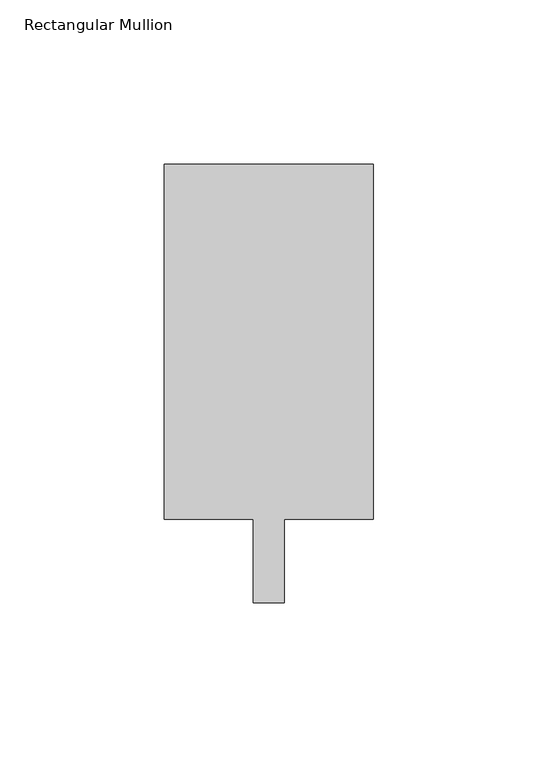
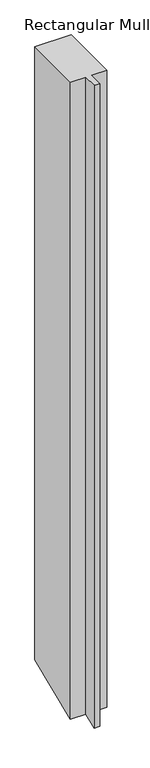
"""IFC4 building model written with IfcOpenShell, lengths in millimetres: member geometry, Rectangular Mullion."""

from ifc_helpers import new_model, si_unit, origin, place, context, project, spatial, faceted_brep, source, transform, mapped, element, save


def rectangular_mullion_923ca6fb(model_context):
    return source(origin(), model_context, "Body", "Brep", [
        faceted_brep([(-4.7625, 12.7, 0.0), (-4.7625, -12.7, 0.0), (4.7625, -12.7, 0.0), (4.7625, 12.7, 0.0), (31.75, 12.7, 0.0), (31.75, 120.65, 0.0), (-31.75, 120.65, 0.0), (-31.75, 12.7, 0.0), (-4.7625, 12.7, -1182.1894878), (-4.7625, -12.7, -1192.7105122), (4.7625, -12.7, -1192.7105122), (4.7625, 12.7, -1182.1894878), (31.75, 12.7, -1182.1894878), (31.75, 120.65, -1137.4751337), (-31.75, 120.65, -1137.4751337), (-31.75, 12.7, -1182.1894878)], [[[0, 1, 2, 3, 4, 5, 6, 7]], [[1, 0, 8, 9]], [[2, 1, 9, 10]], [[3, 2, 10, 11]], [[4, 3, 11, 12]], [[5, 4, 12, 13]], [[6, 5, 13, 14]], [[7, 6, 14, 15]], [[0, 7, 15, 8]], [[8, 15, 14, 13, 12, 11, 10, 9]]]),
    ])


if __name__ == "__main__":
    model = new_model("IFC4")
    model_context = context("Model", 3, world=origin())
    ifc_project = project(units=[si_unit("LENGTHUNIT", "METRE", prefix="MILLI")], contexts=[model_context])
    site = spatial("IfcSite", under=ifc_project)
    building = spatial("IfcBuilding", under=site)
    placement = place(None, origin())
    rectangular_mullion_shape = rectangular_mullion_923ca6fb(model_context)
    element("IfcMember", 1, ObjectType="Rectangular Mullion", at=placement, inside=building, context=model_context, shape_type="MappedRepresentation", body=[
        mapped(rectangular_mullion_shape, transform((0.0, 0.0, 0.0), x_axis=(1.0, 0.0, 0.0), y_axis=(0.0, 1.0, 0.0), z_axis=(0.0, 0.0, 1.0))),
    ])
    save(model, "model.ifc")
